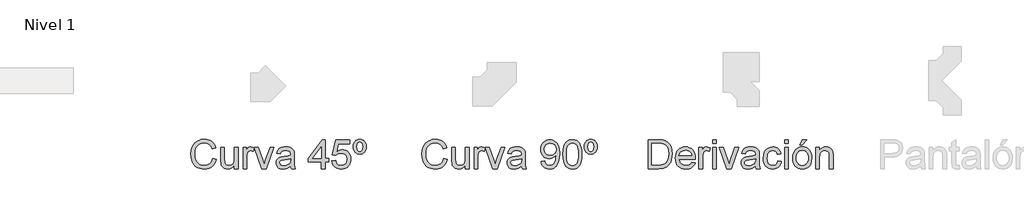
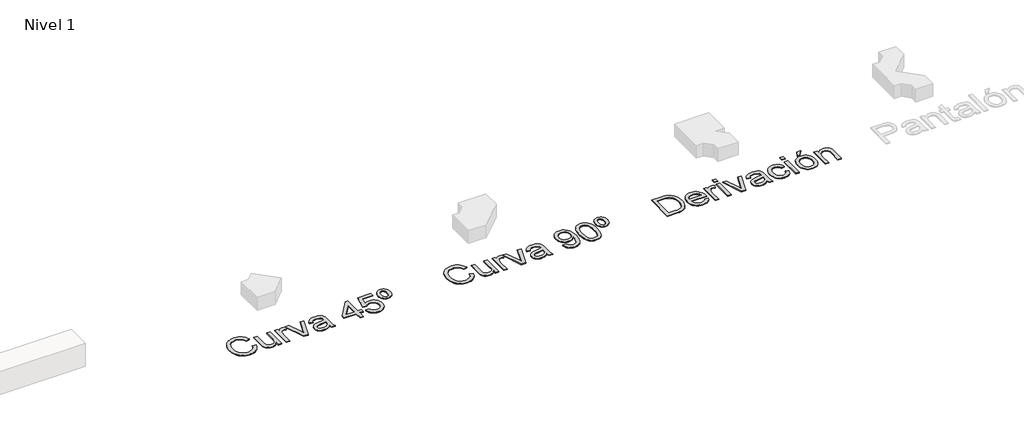
# One storey, part 4 of 7: 3 proxies.
"""IFC4 building model written with IfcOpenShell, lengths in millimetres."""

import ifcopenshell
import ifcopenshell.guid

model = None  # the IFC model being written
_history = None  # IfcOwnerHistory: only IFC2X3 demands one
_inside = {}  # id of a spatial element -> (the spatial element, [elements in it])
_under = {}  # id of a project, library or spatial element -> (it, [spatial elements below it])
_declared = {}  # id of a project -> (the project, [libraries it declares])
_typed = {}  # id of a type object -> (the type object, [elements of that type])
_made_of = {}  # id of a material, layer set ... -> (it, [elements and type objects made of it])


def new_model(schema):
    """Start an empty IFC model of exactly this schema.

    Asked for "IFC4X3", IfcOpenShell would pick the latest addendum, in which some entities
    have other attributes; the version numbers below select the first issue.
    IFC2X3 requires an IfcOwnerHistory on every rooted entity: one is made here for all.
    """
    global model, _history
    if schema == "IFC4X3":
        model = ifcopenshell.file(schema_version=(4, 3, 0, 0))
    else:
        model = ifcopenshell.file(schema=schema)
    _inside.clear()
    _under.clear()
    _declared.clear()
    _typed.clear()
    _made_of.clear()
    _history = None
    if model.schema == "IFC2X3":
        org = make("IfcOrganization", Name="unknown")
        user = make(
            "IfcPersonAndOrganization",
            ThePerson=make("IfcPerson", FamilyName="unknown"),
            TheOrganization=org,
        )
        app = make(
            "IfcApplication",
            ApplicationDeveloper=org,
            Version="unknown",
            ApplicationFullName="unknown",
            ApplicationIdentifier="unknown",
        )
        _history = make(
            "IfcOwnerHistory",
            OwningUser=user,
            OwningApplication=app,
            ChangeAction="ADDED",
            CreationDate=0,
        )
    return model


def make(cls, **values):
    """One entity of the class cls with the attributes given. An attribute that is None is left unset."""
    return model.create_entity(
        cls, **{name: value for name, value in values.items() if value is not None}
    )


def rooted(cls, **values):
    """An entity with a GlobalId (a new one), such as an element, a storey or a relation."""
    return make(cls, GlobalId=ifcopenshell.guid.new(), OwnerHistory=_history, **values)


def si_unit(unit_type, name, prefix=None):
    """IfcSIUnit, for example si_unit("LENGTHUNIT", "METRE", prefix="MILLI")."""
    return make("IfcSIUnit", UnitType=unit_type, Prefix=prefix, Name=name)


def assignment(units):
    """IfcUnitAssignment: the units of a project."""
    return None if units is None else make("IfcUnitAssignment", Units=units)


def point(xyz):
    """IfcCartesianPoint."""
    return None if xyz is None else make("IfcCartesianPoint", Coordinates=xyz)


def direction(xyz):
    """IfcDirection."""
    return None if xyz is None else make("IfcDirection", DirectionRatios=xyz)


def frame(location, z_axis=None, x_axis=None):
    """IfcAxis2Placement3D, a coordinate frame: its origin and axes. An axis left out is left unset."""
    return make(
        "IfcAxis2Placement3D",
        Location=point(location),
        Axis=direction(z_axis),
        RefDirection=direction(x_axis),
    )


def origin():
    """The frame at (0, 0, 0) with its axes left unset."""
    return frame((0.0, 0.0, 0.0))


def origin_with_axes():
    """The frame at (0, 0, 0) with the z axis (0, 0, 1) and the x axis (1, 0, 0) written out."""
    return frame((0.0, 0.0, 0.0), z_axis=(0.0, 0.0, 1.0), x_axis=(1.0, 0.0, 0.0))


def place(relative_to, where):
    """IfcLocalPlacement: puts the frame where relative to a parent placement (None: the world)."""
    return make(
        "IfcLocalPlacement", PlacementRelTo=relative_to, RelativePlacement=where
    )


def context(
    kind, dimensions, precision=None, world=None, true_north=None, identifier=None
):
    """IfcGeometricRepresentationContext, for example the 3D "Model" context."""
    return make(
        "IfcGeometricRepresentationContext",
        ContextIdentifier=identifier,
        ContextType=kind,
        CoordinateSpaceDimension=dimensions,
        Precision=precision,
        WorldCoordinateSystem=world,
        TrueNorth=true_north,
    )


def project(units=None, contexts=None):
    """IfcProject with its units and contexts."""
    return rooted(
        "IfcProject",
        Name="project",
        RepresentationContexts=contexts,
        UnitsInContext=assignment(units),
    )


def spatial(cls, under=None, at=None, **own):
    """A site, building, storey or space (cls), placed at a placement, below another one or the project."""
    s = rooted(cls, ObjectPlacement=at, **own)
    if under is not None:
        _under.setdefault(under.id(), (under, []))[1].append(s)
    return s


def polyline(points):
    """IfcPolyline through the points."""
    return make("IfcPolyline", Points=[point(p) for p in points])


def outline(outer, holes=None, kind="AREA"):
    """IfcArbitraryClosedProfileDef: a profile drawn as a closed curve; with holes, ...WithVoids."""
    if holes is None:
        return make("IfcArbitraryClosedProfileDef", ProfileType=kind, OuterCurve=outer)
    return make(
        "IfcArbitraryProfileDefWithVoids",
        ProfileType=kind,
        OuterCurve=outer,
        InnerCurves=holes,
    )


def extrude(swept, where, along, depth):
    """IfcExtrudedAreaSolid: the profile swept, set in the frame where, extruded along a direction by depth."""
    return make(
        "IfcExtrudedAreaSolid",
        SweptArea=swept,
        Position=where,
        ExtrudedDirection=direction(along),
        Depth=depth,
    )


def shape(context_of_items, identifier, shape_type, items):
    """IfcShapeRepresentation: the items that make up one representation, for example the "Body"."""
    return make(
        "IfcShapeRepresentation",
        ContextOfItems=context_of_items,
        RepresentationIdentifier=identifier,
        RepresentationType=shape_type,
        Items=items,
    )


def made_of(thing, what):
    """Note that an element or type object is made of a material, layer set ...; save() writes the relation."""
    if what is not None:
        _made_of.setdefault(what.id(), (what, []))[1].append(thing)
    return thing


def element(
    cls,
    number,
    at=None,
    inside=None,
    cuts=None,
    type_object=None,
    material=None,
    context=None,
    identifier="Body",
    shape_type=None,
    held_by="IfcProductDefinitionShape",
    body=None,
    shapes=None,
    **own,
):
    """One element of the class cls, such as IfcWall. Its Tag is "e" and its number.

    at: its placement. inside: the storey or other place that contains it. cuts: it is an
    opening in that element (IfcRelVoidsElement). A single representation is given by context,
    identifier, shape_type and body (its items); several are given by shapes. held_by: the class
    of the entity that holds the representations. save() writes the other relations.
    """
    e = rooted(cls, Tag="e%d" % number, ObjectPlacement=at, **own)
    if body is not None:
        shapes = [shape(context, identifier, shape_type, body)]
    if shapes is not None:
        e.Representation = make(held_by, Representations=shapes)
    if inside is not None:
        _inside.setdefault(inside.id(), (inside, []))[1].append(e)
    if cuts is not None:
        rooted(
            "IfcRelVoidsElement", RelatingBuildingElement=cuts, RelatedOpeningElement=e
        )
    if type_object is not None:
        _typed.setdefault(type_object.id(), (type_object, []))[1].append(e)
    return made_of(e, material)


def aggregate(whole, parts):
    """IfcRelAggregates: a whole, such as a stair, and the parts it consists of."""
    return rooted("IfcRelAggregates", RelatingObject=whole, RelatedObjects=parts)


def save(model, path):
    """Write the relations noted so far, then the file.

    IfcRelAggregates (storeys below a building ...), IfcRelContainedInSpatialStructure (elements
    in a storey), IfcRelDefinesByType, IfcRelAssociatesMaterial and IfcRelDeclares: one each for
    every whole, place, type object, material and project.
    """
    for whole, parts in _under.values():
        aggregate(whole, parts)
    for where, things in _inside.values():
        rooted(
            "IfcRelContainedInSpatialStructure",
            RelatedElements=things,
            RelatingStructure=where,
        )
    for kind, things in _typed.values():
        rooted("IfcRelDefinesByType", RelatedObjects=things, RelatingType=kind)
    for what, things in _made_of.values():
        rooted("IfcRelAssociatesMaterial", RelatedObjects=things, RelatingMaterial=what)
    for by, libraries in _declared.values():
        rooted("IfcRelDeclares", RelatingContext=by, RelatedDefinitions=libraries)
    model.write(path)


model = new_model("IFC4")

# Units and contexts
model_context = context("Model", 3, world=origin())
ifc_project = project(units=[si_unit("LENGTHUNIT", "METRE", prefix="MILLI")], contexts=[model_context])

# Site, building, storey
site = spatial("IfcSite", under=ifc_project)
building = spatial("IfcBuilding", under=site)
storey = spatial("IfcBuildingStorey", under=building, Name="Nivel 1", Elevation=0.0)

# Proxies
placement = place(None, origin())
element("IfcBuildingElementProxy", 1, Name="Texto de modelo 1", ObjectType="Texto de modelo 1", at=placement, inside=storey, context=model_context, shape_type="SweptSolid", body=[
    extrude(outline(polyline([(-12862.0094574, -4173.4884877), (-12811.7813023, -4186.4379339), (-12821.7202475, -4217.674181), (-12834.957868, -4244.9679594), (-12851.4941637, -4268.319269), (-12871.3291346, -4287.7281099), (-12894.0151909, -4302.9860157), (-12919.104743, -4313.8845198), (-12946.5977908, -4320.4236223), (-12976.4943343, -4322.6033231), (-13007.123576, -4320.9539855), (-13034.7545796, -4316.0059726), (-13059.3873448, -4307.7592846), (-13081.0218718, -4296.2139213), (-13099.9555318, -4281.5415611), (-13116.4856962, -4263.9138821), (-13130.6123648, -4243.3308845), (-13142.3355377, -4219.7925682), (-13158.1176753, -4167.9212068), (-13163.3783878, -4112.3710256), (-13157.4309622, -4053.7796865), (-13149.9966802, -4027.4822552), (-13139.5886855, -4003.1836494), (-13126.4399698, -3981.2854736), (-13110.7835252, -3962.1893324), (-13092.6193517, -3945.8952257), (-13071.9474493, -3932.4031535), (-13049.4698594, -3921.8234805), (-13025.8886235, -3914.2665712), (-12975.4152137, -3908.2210437), (-12946.6866956, -3910.1769497), (-12920.3432791, -3916.0446675), (-12896.3849641, -3925.8241972), (-12874.8117508, -3939.5155388), (-12855.9792583, -3956.7569416), (-12840.243106, -3977.1866551), (-12827.6032938, -4000.8046792), (-12818.0598217, -4027.6110139), (-12868.2879767, -4039.5794415), (-12885.7010579, -4002.9506575), (-12909.4907602, -3977.8243172), (-12939.9513894, -3963.2929784), (-12977.377251, -3958.4491988), (-13020.5175463, -3963.8202759), (-13039.1998203, -3970.5341223), (-13055.9568452, -3979.9335073), (-13082.8490191, -4005.0966358), (-13100.3479393, -4037.6174041), (-13109.9496594, -4074.3810782), (-13113.1502327, -4112.2729237), (-13109.3610482, -4158.675106), (-13097.9934945, -4198.798769), (-13078.6183761, -4231.1110709), (-13050.8064973, -4254.0791701), (-13017.4641258, -4267.8011685), (-12981.4975294, -4272.375168), (-12959.6606673, -4270.8178009), (-12939.5712447, -4266.1456996), (-12921.2292615, -4258.358864), (-12904.6347179, -4247.4572942), (-12890.1800211, -4233.4900411), (-12878.2575788, -4216.5061557), (-12868.8673909, -4196.5056379), (-12862.0094574, -4173.4884877)])), origin_with_axes(), (0.0, 0.0, 1.0), 10.0),
    extrude(outline(polyline([(-12560.6405269, -4316.3248037), (-12560.6405269, -4265.6061393), (-12578.8138975, -4290.5424072), (-12599.9793749, -4308.3540271), (-12624.1369593, -4319.0409991), (-12651.2866505, -4322.6033231), (-12675.7508032, -4320.1017255), (-12698.5226987, -4312.5969328), (-12717.628037, -4301.3152183), (-12731.092518, -4287.4828553), (-12740.1546778, -4270.6829108), (-12746.0530525, -4250.498452), (-12748.9961084, -4203.8019641), (-12748.9961084, -4021.2343926), (-12698.7679534, -4021.2343926), (-12698.7679534, -4180.1594145), (-12695.7267955, -4231.3685883), (-12688.4059438, -4248.4505756), (-12675.8611678, -4261.43681), (-12658.9263333, -4269.6405785), (-12638.4353062, -4272.375168), (-12616.7670566, -4269.5792648), (-12596.4967587, -4261.1915554), (-12579.7826534, -4247.9845917), (-12568.7829817, -4230.7309262), (-12562.6761406, -4207.1006393), (-12560.6405269, -4174.763812), (-12560.6405269, -4021.2343926), (-12510.4123718, -4021.2343926), (-12510.4123718, -4316.3248037), (-12560.6405269, -4316.3248037)])), origin_with_axes(), (0.0, 0.0, 1.0), 10.0),
    extrude(outline(polyline([(-12180.5939004, -4316.3248037), (-12284.385674, -4021.2343926), (-12231.214463, -4021.2343926), (-12168.3311673, -4198.013954), (-12149.3975072, -4257.4636845), (-12130.8562547, -4201.3494175), (-12067.5805515, -4021.2343926), (-12014.4093405, -4021.2343926), (-12116.9257898, -4316.3248037), (-12180.5939004, -4316.3248037)])), origin_with_axes(), (0.0, 0.0, 1.0), 10.0),
    extrude(outline(polyline([(-12441.3486586, -4316.3248037), (-12441.3486586, -4021.2343926), (-12397.3990229, -4021.2343926), (-12397.3990229, -4064.8897227), (-12381.1631642, -4039.5794415), (-12366.2026297, -4024.6679579), (-12351.1930443, -4017.3838944), (-12334.8100328, -4014.9558732), (-12309.7940571, -4018.8308969), (-12284.385674, -4030.455968), (-12301.161093, -4075.4847242), (-12318.8194287, -4067.7592023), (-12336.4777645, -4065.1840283), (-12351.4750872, -4067.6611004), (-12364.8782545, -4075.0923167), (-12375.7062479, -4086.9135915), (-12382.9780487, -4102.560839), (-12389.0848898, -4130.6179725), (-12391.1205035, -4161.2257545), (-12391.1205035, -4316.3248037), (-12441.3486586, -4316.3248037)])), origin_with_axes(), (0.0, 0.0, 1.0), 10.0),
    extrude(outline(polyline([(-11782.1041233, -4278.6536874), (-11806.1022921, -4299.2305537), (-11830.8116994, -4312.6950347), (-11856.796431, -4320.126251), (-11884.6205726, -4322.6033231), (-11906.9847322, -4321.113401), (-11926.5959082, -4316.6436348), (-11943.4541007, -4309.1940244), (-11957.5593095, -4298.7645698), (-11968.6969369, -4286.0174587), (-11976.652385, -4271.6148785), (-11981.4256539, -4255.5568295), (-11983.0167436, -4237.8433114), (-11980.6132478, -4217.0211905), (-11973.4027607, -4198.1120559), (-11962.2804618, -4181.9252481), (-11948.1415304, -4169.2701075), (-11931.525527, -4159.7051756), (-11912.9720117, -4152.7889941), (-11869.5128853, -4145.2351505), (-11818.1565588, -4137.2888994), (-11782.3984288, -4127.9692222), (-11782.1041233, -4116.7856095), (-11785.562214, -4094.3693333), (-11795.9364863, -4079.7031044), (-11819.1375774, -4068.8137973), (-11851.4621421, -4065.1840283), (-11881.383211, -4067.5997868), (-11902.2789083, -4074.8470621), (-11916.5282043, -4088.2502294), (-11926.5100691, -4109.133664), (-11976.7382242, -4102.8551446), (-11968.0194209, -4075.3866223), (-11955.008661, -4053.8042119), (-11936.4919339, -4037.2985731), (-11911.255229, -4025.0603654), (-11880.3899296, -4017.4819963), (-11844.987419, -4014.9558732), (-11811.0319108, -4017.1876907), (-11784.1152115, -4023.883143), (-11763.8203881, -4033.9508469), (-11749.7305077, -4046.2994192), (-11740.386305, -4061.566522), (-11734.3285148, -4080.3898175), (-11731.8759682, -4124.3394531), (-11731.8759682, -4186.8303414), (-11729.3253197, -4274.0919506), (-11719.3189294, -4316.3248037), (-11769.5470845, -4316.3248037), (-11777.5914374, -4298.8626717), (-11782.1041233, -4278.6536874)]), holes=[polyline([(-11782.1041233, -4178.1973772), (-11815.8511649, -4186.5605613), (-11863.1362641, -4193.5993701), (-11906.3501358, -4201.7418249), (-11917.5950621, -4207.3091058), (-11925.9214579, -4214.9855768), (-11931.0718058, -4224.1826266), (-11932.7885885, -4234.3116442), (-11929.0484549, -4249.2476532), (-11917.828054, -4261.4858609), (-11899.3726406, -4269.6528412), (-11873.9274692, -4272.375168), (-11846.9494563, -4269.3707984), (-11823.110703, -4260.3576895), (-11803.7846355, -4247.0771495), (-11790.3446799, -4231.2704864), (-11784.3849916, -4214.9855768), (-11782.3984288, -4192.4221477), (-11782.1041233, -4178.1973772)])]), origin_with_axes(), (0.0, 0.0, 1.0), 10.0),
    extrude(outline(polyline([(-11355.1648051, -4316.3248037), (-11355.1648051, -4222.1470129), (-11537.2418673, -4222.1470129), (-11537.2418673, -4171.9188579), (-11342.6077663, -3920.7780825), (-11304.93665, -3920.7780825), (-11304.93665, -4171.9188579), (-11254.708495, -4171.9188579), (-11254.708495, -4222.1470129), (-11304.93665, -4222.1470129), (-11304.93665, -4316.3248037), (-11355.1648051, -4316.3248037)]), holes=[polyline([(-11355.1648051, -4171.9188579), (-11355.1648051, -4016.7217068), (-11475.4376921, -4171.9188579), (-11355.1648051, -4171.9188579)])]), origin_with_axes(), (0.0, 0.0, 1.0), 10.0),
    extrude(outline(polyline([(-11210.7588593, -4209.5899742), (-11160.5307042, -4203.3114548), (-11151.3091289, -4233.4655156), (-11135.2204229, -4255.0601888), (-11112.3381628, -4268.0464232), (-11082.735925, -4272.375168), (-11063.6060612, -4270.8699175), (-11046.7325404, -4266.354166), (-11032.1153624, -4258.8279135), (-11019.7545274, -4248.2911601), (-11009.9259467, -4235.2650717), (-11002.905532, -4220.2708148), (-10997.2892002, -4184.3777948), (-11002.5499127, -4150.5817021), (-11009.1258034, -4136.6635), (-11018.3320503, -4124.7318606), (-11030.1993104, -4115.1607974), (-11044.7582403, -4108.3243236), (-11081.95111, -4102.8551446), (-11106.3171608, -4105.0379111), (-11126.0478985, -4111.5862106), (-11141.8055106, -4121.6171264), (-11154.2521848, -4134.2477415), (-11204.4803399, -4127.9692222), (-11160.5307042, -3920.7780825), (-10965.8966033, -3920.7780825), (-10965.8966033, -3971.0062376), (-11119.9165319, -3971.0062376), (-11141.4008405, -4081.6651417), (-11123.6750597, -4068.9609501), (-11105.5200832, -4059.8865276), (-11086.9359111, -4054.4418741), (-11067.9225433, -4052.6269896), (-11043.4614563, -4054.8772011), (-11020.9930634, -4061.6278357), (-11000.5173647, -4072.8788934), (-10982.0343601, -4088.6303741), (-10966.7335348, -4107.9196534), (-10955.8043739, -4129.7841067), (-10949.2468773, -4154.2237339), (-10947.0610451, -4181.2385351), (-10949.0292138, -4207.2600549), (-10954.9337198, -4231.4666901), (-10964.7745632, -4253.8584409), (-10978.5517439, -4274.4353072), (-10999.4229158, -4295.5088141), (-11023.7767039, -4310.5613191), (-11051.6131082, -4319.5928221), (-11082.9321287, -4322.6033231), (-11108.8524809, -4320.6688769), (-11132.2651042, -4314.8655384), (-11153.1699986, -4305.1933077), (-11171.5671641, -4291.6521846), (-11186.8741207, -4274.9166195), (-11198.5083888, -4255.6610627), (-11206.4699683, -4233.8855143), (-11210.7588593, -4209.5899742)])), origin_with_axes(), (0.0, 0.0, 1.0), 10.0),
    extrude(outline(polyline([(-10824.6299171, -3908.2210437), (-10805.4448711, -3909.9439577), (-10788.1114978, -3915.1126998), (-10772.6297971, -3923.7272698), (-10758.9997692, -3935.7876679), (-10747.8836016, -3950.8830924), (-10739.9434818, -3968.6027419), (-10735.17941, -3988.9466162), (-10733.5913861, -4011.9147154), (-10735.1886071, -4034.7969755), (-10739.98027, -4055.0795362), (-10747.966375, -4072.7623974), (-10759.146922, -4087.8455592), (-10772.8045411, -4099.9059573), (-10788.2218623, -4108.5205274), (-10805.3988858, -4113.6892694), (-10824.3356115, -4115.4121834), (-10843.5298546, -4113.7229919), (-10860.8908191, -4108.6554174), (-10876.418505, -4100.2094599), (-10890.1129123, -4088.3851195), (-10901.2934593, -4073.5441467), (-10909.2795642, -4056.0482921), (-10914.0712272, -4035.8975558), (-10915.6684482, -4013.0919378), (-10914.0804243, -3989.6088038), (-10909.3163524, -3968.8970474), (-10901.3762327, -3950.9566688), (-10890.2600651, -3935.7876679), (-10876.6300372, -3923.7272698), (-10861.1483365, -3915.1126998), (-10843.8149632, -3909.9439577), (-10824.6299171, -3908.2210437)]), holes=[polyline([(-10824.6299171, -3945.89216), (-10841.1968697, -3949.754921), (-10854.2076296, -3961.3432038), (-10862.6321272, -3981.6870781), (-10865.4402931, -4011.8166136), (-10862.5830763, -4041.394326), (-10854.0114258, -4061.8485649), (-10840.951615, -4073.7679415), (-10824.6299171, -4077.7410671), (-10808.185592, -4073.7679415), (-10795.1503066, -4061.8485649), (-10786.6522325, -4041.0509694), (-10783.8195411, -4010.4431874), (-10786.676758, -3981.7116036), (-10795.2484085, -3961.6375094), (-10808.3082193, -3949.8284974), (-10824.6299171, -3945.89216)])]), origin_with_axes(), (0.0, 0.0, 1.0), 10.0),
])
element("IfcBuildingElementProxy", 2, Name="Texto de modelo 1", ObjectType="Texto de modelo 1", at=placement, inside=storey, context=model_context, shape_type="SweptSolid", body=[
    extrude(outline(polyline([(-9662.0094574, -4173.4884877), (-9611.7813023, -4186.4379339), (-9621.7202475, -4217.674181), (-9634.957868, -4244.9679594), (-9651.4941637, -4268.319269), (-9671.3291346, -4287.7281099), (-9694.0151909, -4302.9860157), (-9719.104743, -4313.8845198), (-9746.5977908, -4320.4236223), (-9776.4943343, -4322.6033231), (-9807.123576, -4320.9539855), (-9834.7545796, -4316.0059726), (-9859.3873448, -4307.7592846), (-9881.0218718, -4296.2139213), (-9899.9555318, -4281.5415611), (-9916.4856962, -4263.9138821), (-9930.6123648, -4243.3308845), (-9942.3355377, -4219.7925682), (-9958.1176753, -4167.9212068), (-9963.3783878, -4112.3710256), (-9957.4309622, -4053.7796865), (-9949.9966802, -4027.4822552), (-9939.5886855, -4003.1836494), (-9926.4399698, -3981.2854736), (-9910.7835252, -3962.1893324), (-9892.6193517, -3945.8952257), (-9871.9474493, -3932.4031535), (-9849.4698594, -3921.8234805), (-9825.8886235, -3914.2665712), (-9775.4152137, -3908.2210437), (-9746.6866956, -3910.1769497), (-9720.3432791, -3916.0446675), (-9696.3849641, -3925.8241972), (-9674.8117508, -3939.5155388), (-9655.9792583, -3956.7569416), (-9640.243106, -3977.1866551), (-9627.6032938, -4000.8046792), (-9618.0598217, -4027.6110139), (-9668.2879767, -4039.5794415), (-9685.7010579, -4002.9506575), (-9709.4907602, -3977.8243172), (-9739.9513894, -3963.2929784), (-9777.377251, -3958.4491988), (-9820.5175463, -3963.8202759), (-9839.1998203, -3970.5341223), (-9855.9568452, -3979.9335073), (-9882.8490191, -4005.0966358), (-9900.3479393, -4037.6174041), (-9909.9496594, -4074.3810782), (-9913.1502327, -4112.2729237), (-9909.3610482, -4158.675106), (-9897.9934945, -4198.798769), (-9878.6183761, -4231.1110709), (-9850.8064973, -4254.0791701), (-9817.4641258, -4267.8011685), (-9781.4975294, -4272.375168), (-9759.6606673, -4270.8178009), (-9739.5712447, -4266.1456996), (-9721.2292615, -4258.358864), (-9704.6347179, -4247.4572942), (-9690.1800211, -4233.4900411), (-9678.2575788, -4216.5061557), (-9668.8673909, -4196.5056379), (-9662.0094574, -4173.4884877)])), origin_with_axes(), (0.0, 0.0, 1.0), 10.0),
    extrude(outline(polyline([(-9360.6405269, -4316.3248037), (-9360.6405269, -4265.6061393), (-9378.8138975, -4290.5424072), (-9399.9793749, -4308.3540271), (-9424.1369593, -4319.0409991), (-9451.2866505, -4322.6033231), (-9475.7508032, -4320.1017255), (-9498.5226987, -4312.5969328), (-9517.628037, -4301.3152183), (-9531.092518, -4287.4828553), (-9540.1546778, -4270.6829108), (-9546.0530525, -4250.498452), (-9548.9961084, -4203.8019641), (-9548.9961084, -4021.2343926), (-9498.7679534, -4021.2343926), (-9498.7679534, -4180.1594145), (-9495.7267955, -4231.3685883), (-9488.4059438, -4248.4505756), (-9475.8611678, -4261.43681), (-9458.9263333, -4269.6405785), (-9438.4353062, -4272.375168), (-9416.7670566, -4269.5792648), (-9396.4967587, -4261.1915554), (-9379.7826534, -4247.9845917), (-9368.7829817, -4230.7309262), (-9362.6761406, -4207.1006393), (-9360.6405269, -4174.763812), (-9360.6405269, -4021.2343926), (-9310.4123718, -4021.2343926), (-9310.4123718, -4316.3248037), (-9360.6405269, -4316.3248037)])), origin_with_axes(), (0.0, 0.0, 1.0), 10.0),
    extrude(outline(polyline([(-8980.5939004, -4316.3248037), (-9084.385674, -4021.2343926), (-9031.214463, -4021.2343926), (-8968.3311673, -4198.013954), (-8949.3975072, -4257.4636845), (-8930.8562547, -4201.3494175), (-8867.5805515, -4021.2343926), (-8814.4093405, -4021.2343926), (-8916.9257898, -4316.3248037), (-8980.5939004, -4316.3248037)])), origin_with_axes(), (0.0, 0.0, 1.0), 10.0),
    extrude(outline(polyline([(-9241.3486586, -4316.3248037), (-9241.3486586, -4021.2343926), (-9197.3990229, -4021.2343926), (-9197.3990229, -4064.8897227), (-9181.1631642, -4039.5794415), (-9166.2026297, -4024.6679579), (-9151.1930443, -4017.3838944), (-9134.8100328, -4014.9558732), (-9109.7940571, -4018.8308969), (-9084.385674, -4030.455968), (-9101.161093, -4075.4847242), (-9118.8194287, -4067.7592023), (-9136.4777645, -4065.1840283), (-9151.4750872, -4067.6611004), (-9164.8782545, -4075.0923167), (-9175.7062479, -4086.9135915), (-9182.9780487, -4102.560839), (-9189.0848898, -4130.6179725), (-9191.1205035, -4161.2257545), (-9191.1205035, -4316.3248037), (-9241.3486586, -4316.3248037)])), origin_with_axes(), (0.0, 0.0, 1.0), 10.0),
    extrude(outline(polyline([(-8582.1041233, -4278.6536874), (-8606.1022921, -4299.2305537), (-8630.8116994, -4312.6950347), (-8656.796431, -4320.126251), (-8684.6205726, -4322.6033231), (-8706.9847322, -4321.113401), (-8726.5959082, -4316.6436348), (-8743.4541007, -4309.1940244), (-8757.5593095, -4298.7645698), (-8768.6969369, -4286.0174587), (-8776.652385, -4271.6148785), (-8781.4256539, -4255.5568295), (-8783.0167436, -4237.8433114), (-8780.6132478, -4217.0211905), (-8773.4027607, -4198.1120559), (-8762.2804618, -4181.9252481), (-8748.1415304, -4169.2701075), (-8731.525527, -4159.7051756), (-8712.9720117, -4152.7889941), (-8669.5128853, -4145.2351505), (-8618.1565588, -4137.2888994), (-8582.3984288, -4127.9692222), (-8582.1041233, -4116.7856095), (-8585.562214, -4094.3693333), (-8595.9364863, -4079.7031044), (-8619.1375774, -4068.8137973), (-8651.4621421, -4065.1840283), (-8681.383211, -4067.5997868), (-8702.2789083, -4074.8470621), (-8716.5282043, -4088.2502294), (-8726.5100691, -4109.133664), (-8776.7382242, -4102.8551446), (-8768.0194209, -4075.3866223), (-8755.008661, -4053.8042119), (-8736.4919339, -4037.2985731), (-8711.255229, -4025.0603654), (-8680.3899296, -4017.4819963), (-8644.987419, -4014.9558732), (-8611.0319108, -4017.1876907), (-8584.1152115, -4023.883143), (-8563.8203881, -4033.9508469), (-8549.7305077, -4046.2994192), (-8540.386305, -4061.566522), (-8534.3285148, -4080.3898175), (-8531.8759682, -4124.3394531), (-8531.8759682, -4186.8303414), (-8529.3253197, -4274.0919506), (-8519.3189294, -4316.3248037), (-8569.5470845, -4316.3248037), (-8577.5914374, -4298.8626717), (-8582.1041233, -4278.6536874)]), holes=[polyline([(-8582.1041233, -4178.1973772), (-8615.8511649, -4186.5605613), (-8663.1362641, -4193.5993701), (-8706.3501358, -4201.7418249), (-8717.5950621, -4207.3091058), (-8725.9214579, -4214.9855768), (-8731.0718058, -4224.1826266), (-8732.7885885, -4234.3116442), (-8729.0484549, -4249.2476532), (-8717.828054, -4261.4858609), (-8699.3726406, -4269.6528412), (-8673.9274692, -4272.375168), (-8646.9494563, -4269.3707984), (-8623.110703, -4260.3576895), (-8603.7846355, -4247.0771495), (-8590.3446799, -4231.2704864), (-8584.3849916, -4214.9855768), (-8582.3984288, -4192.4221477), (-8582.1041233, -4178.1973772)])]), origin_with_axes(), (0.0, 0.0, 1.0), 10.0),
    extrude(outline(polyline([(-8312.1277897, -4215.8684935), (-8261.8996347, -4209.5899742), (-8253.3157214, -4238.1008288), (-8239.3362056, -4257.5127354), (-8220.3044437, -4268.6595599), (-8196.5637923, -4272.375168), (-8175.2634248, -4269.983935), (-8155.9005691, -4262.8102361), (-8139.8118632, -4251.6388862), (-8128.3339449, -4237.2547002), (-8111.9018825, -4193.5993701), (-8106.457229, -4165.1988801), (-8104.6423444, -4135.3268621), (-8104.93665, -4125.5166755), (-8122.3374684, -4146.7557294), (-8145.1093639, -4163.5801993), (-8171.6091303, -4174.5430828), (-8200.1935613, -4178.1973772), (-8224.0537744, -4175.9655598), (-8245.9948697, -4169.2701075), (-8266.0168473, -4158.1110203), (-8284.1197072, -4142.4882982), (-8299.1200955, -4123.2174131), (-8309.8346586, -4101.1138365), (-8316.2633965, -4076.1775686), (-8318.4063091, -4048.4086093), (-8316.1591633, -4019.7138137), (-8309.4177257, -3993.9620741), (-8298.1819964, -3971.1533904), (-8282.4519754, -3951.2877626), (-8263.3374401, -3935.1929253), (-8241.9481678, -3923.696613), (-8218.2841584, -3916.7988256), (-8192.3454121, -3914.4995631), (-8154.8827623, -3919.7480129), (-8120.7801013, -3935.4933623), (-8092.2569839, -3960.9507964), (-8071.5329649, -3995.3355002), (-8058.9146124, -4042.8658539), (-8054.708495, -4107.7602379), (-8058.9023497, -4176.5664337), (-8071.4839139, -4229.7499075), (-8092.3428231, -4269.7141549), (-8105.8348952, -4285.6403796), (-8121.3687125, -4298.8626717), (-8138.6315751, -4309.2492067), (-8157.3107834, -4316.6681602), (-8198.9182371, -4322.6033231), (-8221.4755347, -4320.8528179), (-8241.8623286, -4315.6013024), (-8260.0786188, -4306.8487766), (-8276.1244051, -4294.5952405), (-8289.5950175, -4279.1717879), (-8300.0857857, -4260.9095125), (-8307.5967098, -4239.8084144), (-8312.1277897, -4215.8684935)]), holes=[polyline([(-8104.93665, -4047.231387), (-8110.3567781, -4013.1900397), (-8117.1319382, -3999.112422), (-8126.6171623, -3986.9968416), (-8138.3464666, -3977.2541001), (-8151.8538672, -3970.294999), (-8184.2029573, -3964.7277182), (-8201.8122421, -3966.2268373), (-8217.7537952, -3970.7241947), (-8232.0276166, -3978.2197903), (-8244.6337063, -3988.7136243), (-8254.9344022, -4001.5925598), (-8262.2920421, -4016.2434602), (-8266.7066261, -4032.6663256), (-8268.178154, -4050.861156), (-8262.6108732, -4081.8981336), (-8255.6517721, -4095.0161924), (-8245.9090306, -4106.5339646), (-8233.7873189, -4115.9118898), (-8219.6913071, -4122.6104078), (-8185.5763834, -4127.9692222), (-8153.4848107, -4122.6104078), (-8127.6472319, -4106.5339646), (-8117.7113523, -4094.7893319), (-8110.6142955, -4080.9906914), (-8104.93665, -4047.231387)])]), origin_with_axes(), (0.0, 0.0, 1.0), 10.0),
    extrude(outline(polyline([(-8010.7588593, -4118.649545), (-8007.0677766, -4054.3315095), (-7995.9945285, -4003.0364966), (-7977.6494797, -3963.9796914), (-7965.7914167, -3948.7463112), (-7952.1429947, -3936.3762791), (-7936.6582284, -3926.8052158), (-7919.2911325, -3919.9687421), (-7878.9099522, -3914.4995631), (-7847.9588137, -3917.7369247), (-7820.2450367, -3927.4490093), (-7797.068471, -3943.2556724), (-7779.7289663, -3964.7767691), (-7766.6323673, -3991.8283585), (-7756.1845186, -4024.2264995), (-7749.3419135, -4065.3679693), (-7747.0610451, -4118.649545), (-7750.7153396, -4182.5996984), (-7761.6782231, -4233.772084), (-7779.9129073, -4272.8656773), (-7791.7433791, -4288.1450429), (-7805.3826041, -4300.5794543), (-7820.8857645, -4310.2148969), (-7838.3080427, -4317.0973559), (-7878.9099522, -4322.6033231), (-7906.5746782, -4320.2120901), (-7931.1001446, -4313.0383912), (-7952.4863512, -4301.0822264), (-7970.7332982, -4284.3435956), (-7988.2444812, -4254.0853015), (-8000.752469, -4216.3835283), (-8008.2572617, -4171.2382762), (-8010.7588593, -4118.649545)]), holes=[polyline([(-7960.5307042, -4118.5514431), (-7959.0591762, -4162.2159702), (-7954.6445923, -4197.5602329), (-7947.2869524, -4224.5842311), (-7936.9862565, -4243.2879649), (-7924.5273196, -4256.0136163), (-7910.6949566, -4265.1033672), (-7895.4891675, -4270.5572178), (-7878.9099522, -4272.375168), (-7862.330737, -4270.5510864), (-7847.1249478, -4265.0788418), (-7833.2925848, -4255.958434), (-7820.8336479, -4243.1898631), (-7810.532952, -4224.4554724), (-7803.1753121, -4197.4376056), (-7798.7607282, -4162.1362625), (-7797.2892002, -4118.5514431), (-7798.7116773, -4076.0426785), (-7802.9791084, -4041.3207496), (-7810.0914936, -4014.3856562), (-7820.048833, -3995.2373983), (-7832.2993034, -3981.8894132), (-7846.291082, -3972.3551382), (-7862.0241686, -3966.6345732), (-7879.4985634, -3964.7277182), (-7895.9919395, -3966.4077126), (-7910.9402113, -3971.4476959), (-7924.3433786, -3979.8476682), (-7936.2014416, -3991.6076293), (-7946.845494, -4012.4542757), (-7954.4483885, -4040.5604601), (-7959.0101253, -4075.9261826), (-7960.5307042, -4118.5514431)])]), origin_with_axes(), (0.0, 0.0, 1.0), 10.0),
    extrude(outline(polyline([(-7624.6299171, -3908.2210437), (-7605.4448711, -3909.9439577), (-7588.1114978, -3915.1126998), (-7572.6297971, -3923.7272698), (-7558.9997692, -3935.7876679), (-7547.8836016, -3950.8830924), (-7539.9434818, -3968.6027419), (-7535.17941, -3988.9466162), (-7533.5913861, -4011.9147154), (-7535.1886071, -4034.7969755), (-7539.98027, -4055.0795362), (-7547.966375, -4072.7623974), (-7559.146922, -4087.8455592), (-7572.8045411, -4099.9059573), (-7588.2218623, -4108.5205274), (-7605.3988858, -4113.6892694), (-7624.3356115, -4115.4121834), (-7643.5298546, -4113.7229919), (-7660.8908191, -4108.6554174), (-7676.418505, -4100.2094599), (-7690.1129123, -4088.3851195), (-7701.2934593, -4073.5441467), (-7709.2795642, -4056.0482921), (-7714.0712272, -4035.8975558), (-7715.6684482, -4013.0919378), (-7714.0804243, -3989.6088038), (-7709.3163524, -3968.8970474), (-7701.3762327, -3950.9566688), (-7690.2600651, -3935.7876679), (-7676.6300372, -3923.7272698), (-7661.1483365, -3915.1126998), (-7643.8149632, -3909.9439577), (-7624.6299171, -3908.2210437)]), holes=[polyline([(-7624.6299171, -3945.89216), (-7641.1968697, -3949.754921), (-7654.2076296, -3961.3432038), (-7662.6321272, -3981.6870781), (-7665.4402931, -4011.8166136), (-7662.5830763, -4041.394326), (-7654.0114258, -4061.8485649), (-7640.951615, -4073.7679415), (-7624.6299171, -4077.7410671), (-7608.185592, -4073.7679415), (-7595.1503066, -4061.8485649), (-7586.6522325, -4041.0509694), (-7583.8195411, -4010.4431874), (-7586.676758, -3981.7116036), (-7595.2484085, -3961.6375094), (-7608.3082193, -3949.8284974), (-7624.6299171, -3945.89216)])]), origin_with_axes(), (0.0, 0.0, 1.0), 10.0),
])
element("IfcBuildingElementProxy", 3, Name="Texto de modelo 1", ObjectType="Texto de modelo 1", at=placement, inside=storey, context=model_context, shape_type="SweptSolid", body=[
    extrude(outline(polyline([(-6829.3028413, -4316.3248037), (-6829.3028413, -3914.4995631), (-6690.6849056, -3914.4995631), (-6649.2613929, -3915.9465656), (-6618.972442, -3920.2875732), (-6586.9421829, -3931.4466603), (-6559.915119, -3949.0314197), (-6532.1277656, -3979.6392017), (-6512.3357143, -4017.7027255), (-6500.4899141, -4062.486227), (-6496.541314, -4113.2539424), (-6499.2145898, -4156.3819749), (-6507.2344173, -4194.3351341), (-6519.4480995, -4226.647436), (-6534.7029396, -4252.8528968), (-6552.2631735, -4273.5401277), (-6571.3930373, -4289.2977398), (-6593.3555924, -4300.9841245), (-6619.4139004, -4309.4576731), (-6649.6170122, -4314.6080211), (-6684.0139787, -4316.3248037), (-6829.3028413, -4316.3248037)]), holes=[polyline([(-6779.0746863, -4266.0966486), (-6690.1943962, -4266.0966486), (-6653.4307222, -4264.2817641), (-6625.5452669, -4258.8371106), (-6604.5024168, -4250.0815191), (-6588.2665581, -4238.3338207), (-6570.8166888, -4216.5919948), (-6557.707827, -4188.4490222), (-6549.5040585, -4153.7822755), (-6546.769469, -4112.4691274), (-6552.1282834, -4057.7282866), (-6558.8268014, -4035.7289432), (-6568.2047266, -4017.310318), (-6591.9576408, -3989.5474901), (-6620.3458681, -3972.7720711), (-6649.2368674, -3966.7388064), (-6691.5678224, -3964.7277182), (-6779.0746863, -3964.7277182), (-6779.0746863, -4266.0966486)])]), origin_with_axes(), (0.0, 0.0, 1.0), 10.0),
    extrude(outline(polyline([(-6227.1535916, -4228.4255323), (-6177.9064552, -4234.7040517), (-6185.4572332, -4254.428658), (-6195.6506301, -4271.8110823), (-6208.4866461, -4286.8513245), (-6223.965281, -4299.5493847), (-6241.9271194, -4309.6354827), (-6262.2127458, -4316.8398385), (-6309.7553623, -4322.6033231), (-6340.9210986, -4320.1170539), (-6368.6900579, -4312.6582465), (-6393.0622401, -4300.2269007), (-6414.0376452, -4282.8230167), (-6430.9050347, -4260.9309723), (-6442.95317, -4235.0351455), (-6450.1820512, -4205.1355363), (-6452.5916783, -4171.2321448), (-6450.1575257, -4136.179122), (-6442.8550681, -4105.2831658), (-6430.6843055, -4078.5442761), (-6413.6452377, -4055.962453), (-6392.7250149, -4038.0220743), (-6368.9107871, -4025.2075182), (-6342.2025543, -4017.5187845), (-6312.6003164, -4014.9558732), (-6283.951506, -4017.5126531), (-6258.0434165, -4025.1829927), (-6234.8760479, -4037.966892), (-6214.4494001, -4055.8643511), (-6197.7751486, -4078.3971233), (-6185.864969, -4105.0869621), (-6178.7188613, -4135.9338674), (-6176.3368254, -4170.9378392), (-6176.631131, -4184.4758966), (-6402.3635232, -4184.4758966), (-6399.4541898, -4204.519334), (-6393.6692454, -4222.0734365), (-6385.0086901, -4237.1382042), (-6373.4725239, -4249.7136371), (-6359.6984088, -4259.6280569), (-6344.3240071, -4266.7097853), (-6308.7743436, -4272.375168), (-6282.0415853, -4269.7509431), (-6259.5272072, -4261.8782684), (-6241.2312093, -4248.2666346), (-6227.1535916, -4228.4255323)]), holes=[polyline([(-6402.3635232, -4134.2477415), (-6226.5649804, -4134.2477415), (-6233.3585346, -4107.711187), (-6246.6758629, -4088.728476), (-6260.3733358, -4078.4277801), (-6275.9592697, -4071.0701402), (-6293.4336644, -4066.6555563), (-6312.7965201, -4065.1840283), (-6346.6539264, -4069.8806551), (-6374.6497462, -4083.9705355), (-6394.1107038, -4105.9330907), (-6402.3635232, -4134.2477415)])]), origin_with_axes(), (0.0, 0.0, 1.0), 10.0),
    extrude(outline(polyline([(-6126.1086703, -4316.3248037), (-6126.1086703, -4021.2343926), (-6082.1590346, -4021.2343926), (-6082.1590346, -4064.8897227), (-6065.9231759, -4039.5794415), (-6050.9626414, -4024.6679579), (-6035.953056, -4017.3838944), (-6019.5700445, -4014.9558732), (-5994.5540688, -4018.8308969), (-5969.1456857, -4030.455968), (-5985.9211047, -4075.4847242), (-6003.5794404, -4067.7592023), (-6021.2377762, -4065.1840283), (-6036.2350989, -4067.6611004), (-6049.6382662, -4075.0923167), (-6060.4662596, -4086.9135915), (-6067.7380604, -4102.560839), (-6073.8449015, -4130.6179725), (-6075.8805152, -4161.2257545), (-6075.8805152, -4316.3248037), (-6126.1086703, -4316.3248037)])), origin_with_axes(), (0.0, 0.0, 1.0), 10.0),
    extrude(outline(polyline([(-5937.7530888, -3964.7277182), (-5937.7530888, -3914.4995631), (-5887.5249337, -3914.4995631), (-5887.5249337, -3964.7277182), (-5937.7530888, -3964.7277182)])), origin_with_axes(), (0.0, 0.0, 1.0), 10.0),
    extrude(outline(polyline([(-5937.7530888, -4316.3248037), (-5937.7530888, -4021.2343926), (-5887.5249337, -4021.2343926), (-5887.5249337, -4316.3248037), (-5937.7530888, -4316.3248037)])), origin_with_axes(), (0.0, 0.0, 1.0), 10.0),
    extrude(outline(polyline([(-5739.7835244, -4316.3248037), (-5843.575298, -4021.2343926), (-5790.404087, -4021.2343926), (-5727.5207913, -4198.013954), (-5708.5871312, -4257.4636845), (-5690.0458787, -4201.3494175), (-5626.7701755, -4021.2343926), (-5573.5989645, -4021.2343926), (-5676.1154138, -4316.3248037), (-5739.7835244, -4316.3248037)])), origin_with_axes(), (0.0, 0.0, 1.0), 10.0),
    extrude(outline(polyline([(-5341.2937473, -4278.6536874), (-5365.2919161, -4299.2305537), (-5390.0013234, -4312.6950347), (-5415.986055, -4320.126251), (-5443.8101966, -4322.6033231), (-5466.1743562, -4321.113401), (-5485.7855322, -4316.6436348), (-5502.6437247, -4309.1940244), (-5516.7489335, -4298.7645698), (-5527.8865609, -4286.0174587), (-5535.842009, -4271.6148785), (-5540.6152779, -4255.5568295), (-5542.2063676, -4237.8433114), (-5539.8028719, -4217.0211905), (-5532.5923847, -4198.1120559), (-5521.4700858, -4181.9252481), (-5507.3311544, -4169.2701075), (-5490.715151, -4159.7051756), (-5472.1616357, -4152.7889941), (-5428.7025093, -4145.2351505), (-5377.3461828, -4137.2888994), (-5341.5880529, -4127.9692222), (-5341.2937473, -4116.7856095), (-5344.751838, -4094.3693333), (-5355.1261103, -4079.7031044), (-5378.3272014, -4068.8137973), (-5410.6517661, -4065.1840283), (-5440.572835, -4067.5997868), (-5461.4685323, -4074.8470621), (-5475.7178283, -4088.2502294), (-5485.6996931, -4109.133664), (-5535.9278482, -4102.8551446), (-5527.2090449, -4075.3866223), (-5514.198285, -4053.8042119), (-5495.6815579, -4037.2985731), (-5470.444853, -4025.0603654), (-5439.5795536, -4017.4819963), (-5404.177043, -4014.9558732), (-5370.2215348, -4017.1876907), (-5343.3048355, -4023.883143), (-5323.0100121, -4033.9508469), (-5308.9201317, -4046.2994192), (-5299.575929, -4061.566522), (-5293.5181388, -4080.3898175), (-5291.0655922, -4124.3394531), (-5291.0655922, -4186.8303414), (-5288.5149437, -4274.0919506), (-5278.5085534, -4316.3248037), (-5328.7367085, -4316.3248037), (-5336.7810614, -4298.8626717), (-5341.2937473, -4278.6536874)]), holes=[polyline([(-5341.2937473, -4178.1973772), (-5375.0407889, -4186.5605613), (-5422.3258881, -4193.5993701), (-5465.5397598, -4201.7418249), (-5476.7846861, -4207.3091058), (-5485.1110819, -4214.9855768), (-5490.2614298, -4224.1826266), (-5491.9782125, -4234.3116442), (-5488.2380789, -4249.2476532), (-5477.017678, -4261.4858609), (-5458.5622646, -4269.6528412), (-5433.1170933, -4272.375168), (-5406.1390803, -4269.3707984), (-5382.300327, -4260.3576895), (-5362.9742595, -4247.0771495), (-5349.5343039, -4231.2704864), (-5343.5746156, -4214.9855768), (-5341.5880529, -4192.4221477), (-5341.2937473, -4178.1973772)])]), origin_with_axes(), (0.0, 0.0, 1.0), 10.0),
    extrude(outline(polyline([(-5033.6462974, -4209.5899742), (-4983.4181423, -4215.8684935), (-4988.88119, -4239.5692911), (-4997.4221836, -4260.5416305), (-5009.0411233, -4278.7855118), (-5023.738009, -4294.3009349), (-5040.8935727, -4306.6832297), (-5059.8885464, -4315.527726), (-5080.7229301, -4320.8344238), (-5103.3967237, -4322.6033231), (-5131.5672875, -4320.135448), (-5156.8254521, -4312.7318229), (-5179.1712177, -4300.3924476), (-5198.6045841, -4283.1173223), (-5214.334605, -4261.2314092), (-5225.5703343, -4235.059671), (-5232.3117719, -4204.6021074), (-5234.5589177, -4169.8587187), (-5230.7206822, -4125.1610563), (-5219.2059758, -4086.4230822), (-5199.8308574, -4055.1408499), (-5172.411386, -4032.8104127), (-5139.6085748, -4019.4195081), (-5104.0834368, -4014.9558732), (-5081.7989849, -4016.4887149), (-5061.6421173, -4021.0872398), (-5043.6128338, -4028.7514481), (-5027.7111346, -4039.4813396), (-5014.2067997, -4053.0316597), (-5003.3696092, -4069.1571539), (-4995.1995632, -4087.857822), (-4989.6966617, -4109.133664), (-5039.9248168, -4115.4121834), (-5049.0360276, -4093.4986792), (-5063.2240098, -4077.790118), (-5081.7039487, -4068.3355507), (-5103.6910293, -4065.1840283), (-5120.7576882, -4066.7352641), (-5136.150484, -4071.3889713), (-5149.8694167, -4079.14515), (-5161.9144864, -4090.0038003), (-5171.7216073, -4104.216308), (-5178.7266936, -4122.0340593), (-5182.9297454, -4143.4570542), (-5184.3307626, -4168.4852926), (-5178.8493209, -4215.5619252), (-5171.9975188, -4233.4992382), (-5162.4049957, -4247.7025489), (-5150.5990494, -4258.4968197), (-5137.1069772, -4266.2070132), (-5121.9287792, -4270.8331293), (-5105.0644554, -4272.375168), (-5079.0551984, -4268.5246698), (-5057.7303054, -4256.9731751), (-5042.2179479, -4237.4263785), (-5033.6462974, -4209.5899742)])), origin_with_axes(), (0.0, 0.0, 1.0), 10.0),
    extrude(outline(polyline([(-4939.4685067, -4316.3248037), (-4939.4685067, -4021.2343926), (-4889.2403516, -4021.2343926), (-4889.2403516, -4316.3248037), (-4939.4685067, -4316.3248037)])), origin_with_axes(), (0.0, 0.0, 1.0), 10.0),
    extrude(outline(polyline([(-4939.4685067, -3964.7277182), (-4939.4685067, -3914.4995631), (-4889.2403516, -3914.4995631), (-4889.2403516, -3964.7277182), (-4939.4685067, -3964.7277182)])), origin_with_axes(), (0.0, 0.0, 1.0), 10.0),
    extrude(outline(polyline([(-4826.4551577, -4168.7795982), (-4823.7389623, -4130.5627902), (-4815.5903761, -4097.6312203), (-4802.0093992, -4069.9848884), (-4782.9960314, -4047.6237944), (-4763.8539049, -4033.3315789), (-4742.7252156, -4023.1228535), (-4719.6099636, -4016.9976183), (-4694.5081488, -4014.9558732), (-4666.7974375, -4017.4421424), (-4641.741608, -4024.9009498), (-4619.3406601, -4037.3322956), (-4599.594594, -4054.7361797), (-4583.478297, -4076.5239908), (-4571.9666562, -4102.1071179), (-4565.0596717, -4131.4855609), (-4562.7573436, -4164.6593198), (-4566.828571, -4215.4025097), (-4579.0422532, -4254.0301192), (-4599.0427711, -4282.9579067), (-4626.4745052, -4304.6016308), (-4659.0565872, -4318.1029), (-4694.5081488, -4322.6033231), (-4722.6235303, -4320.126251), (-4747.9123518, -4312.6950347), (-4770.3746133, -4300.3096742), (-4790.0103147, -4282.9701695), (-4805.9549336, -4260.9708262), (-4817.343947, -4234.6059498), (-4824.1773551, -4203.8755405), (-4826.4551577, -4168.7795982)]), holes=[polyline([(-4776.2270027, -4168.6814963), (-4774.7738688, -4193.0444814), (-4770.4144671, -4214.1394482), (-4763.1487977, -4231.9663965), (-4752.9768606, -4246.5253265), (-4740.6037628, -4257.8346321), (-4726.7346116, -4265.9127076), (-4711.3694069, -4270.7595529), (-4694.5081488, -4272.375168), (-4677.7327298, -4270.7503559), (-4662.4288388, -4265.8759194), (-4648.5964758, -4257.7518587), (-4636.2356408, -4246.3781737), (-4626.0637036, -4231.6751566), (-4618.7980342, -4213.5630997), (-4614.4386326, -4192.042003), (-4612.9854987, -4167.1118665), (-4614.4478296, -4143.5214335), (-4618.8348224, -4122.9782898), (-4626.146477, -4105.4824352), (-4636.3827936, -4091.0338698), (-4648.7896139, -4079.7245642), (-4662.6127798, -4071.6464887), (-4677.8522915, -4066.7996434), (-4694.5081488, -4065.1840283), (-4711.3694069, -4066.793512), (-4726.7346116, -4071.6219632), (-4740.6037628, -4079.6693819), (-4752.9768606, -4090.935768), (-4763.1487977, -4105.4517784), (-4770.4144671, -4123.2480699), (-4774.7738688, -4144.3246425), (-4776.2270027, -4168.6814963)])]), origin_with_axes(), (0.0, 0.0, 1.0), 10.0),
    extrude(outline(polyline([(-4732.277367, -3989.8417957), (-4694.6062507, -3914.4995631), (-4631.8210568, -3914.4995631), (-4694.6062507, -3989.8417957), (-4732.277367, -3989.8417957)])), origin_with_axes(), (0.0, 0.0, 1.0), 10.0),
    extrude(outline(polyline([(-4506.2506691, -4316.3248037), (-4506.2506691, -4021.2343926), (-4456.0225141, -4021.2343926), (-4456.0225141, -4062.4371761), (-4438.5726448, -4041.6641061), (-4417.6156338, -4026.826199), (-4393.1514811, -4017.9234547), (-4365.1801867, -4014.9558732), (-4340.4217284, -4017.3471062), (-4317.7479348, -4024.5208051), (-4298.8388003, -4035.5817904), (-4285.3743192, -4049.6348827), (-4276.238583, -4066.6432936), (-4270.3156829, -4086.570235), (-4267.6669325, -4135.1306583), (-4267.6669325, -4316.3248037), (-4317.8950876, -4316.3248037), (-4317.8950876, -4141.899687), (-4319.3420901, -4115.9272182), (-4323.6830977, -4097.459542), (-4331.6906624, -4084.2280529), (-4344.1373366, -4073.9641453), (-4360.0911525, -4067.3790576), (-4378.6201423, -4065.1840283), (-4408.0384392, -4070.1136471), (-4433.1157285, -4084.9025033), (-4443.1374472, -4096.9751641), (-4450.2958177, -4113.4746716), (-4454.59084, -4134.4010257), (-4456.0225141, -4159.7542265), (-4456.0225141, -4316.3248037), (-4506.2506691, -4316.3248037)])), origin_with_axes(), (0.0, 0.0, 1.0), 10.0),
])

save(model, "model.ifc")
